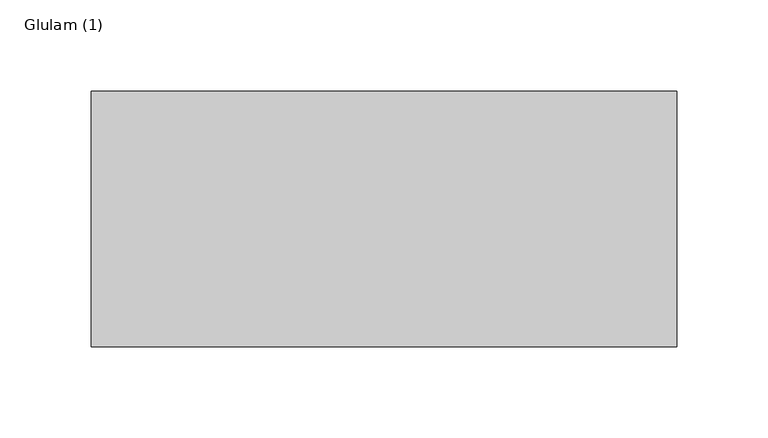
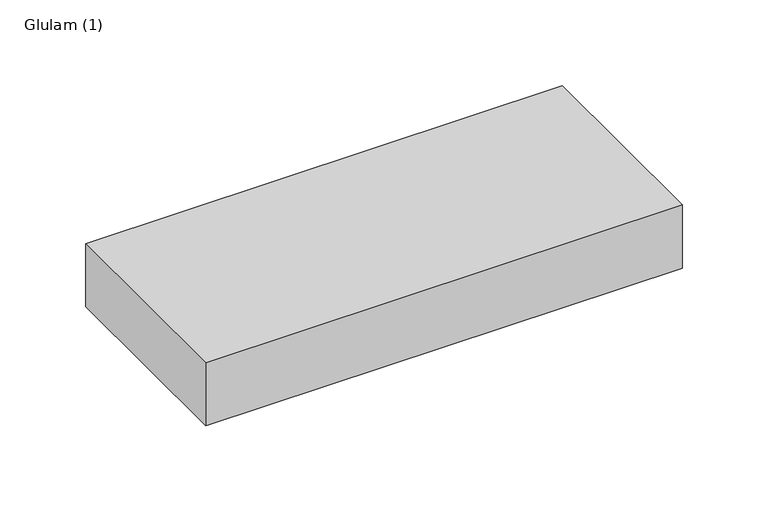
"""IFC4 building model written with IfcOpenShell, lengths in millimetres: beam geometry, Glulam (1)."""

from ifc_helpers import new_model, si_unit, frame, origin, place, context, project, spatial, polyline, outline, extrude, source, transform, mapped, element, save


def glulam_1_ee6a8ec5(model_context):
    return source(origin(), model_context, "Body", "SweptSolid", [
        extrude(outline(polyline([(161.0, 70.0), (161.0, -70.0), (-160.0, -70.0), (-160.0, 70.0), (161.0, 70.0)])), frame((0.0, 0.0, -22.5), z_axis=(0.0, 0.0, 1.0), x_axis=(1.0, 0.0, 0.0)), (0.0, 0.0, 1.0), 45.0),
    ])


if __name__ == "__main__":
    model = new_model("IFC4")
    model_context = context("Model", 3, world=origin())
    ifc_project = project(units=[si_unit("LENGTHUNIT", "METRE", prefix="MILLI")], contexts=[model_context])
    site = spatial("IfcSite", under=ifc_project)
    building = spatial("IfcBuilding", under=site)
    placement = place(None, origin())
    glulam_1_shape = glulam_1_ee6a8ec5(model_context)
    element("IfcBeam", 1, ObjectType="Glulam (1)", at=placement, inside=building, context=model_context, shape_type="MappedRepresentation", body=[
        mapped(glulam_1_shape, transform((0.0, 0.0, 0.0), x_axis=(1.0, 0.0, 0.0), y_axis=(0.0, 1.0, 0.0), z_axis=(0.0, 0.0, 1.0))),
    ])
    save(model, "model.ifc")
